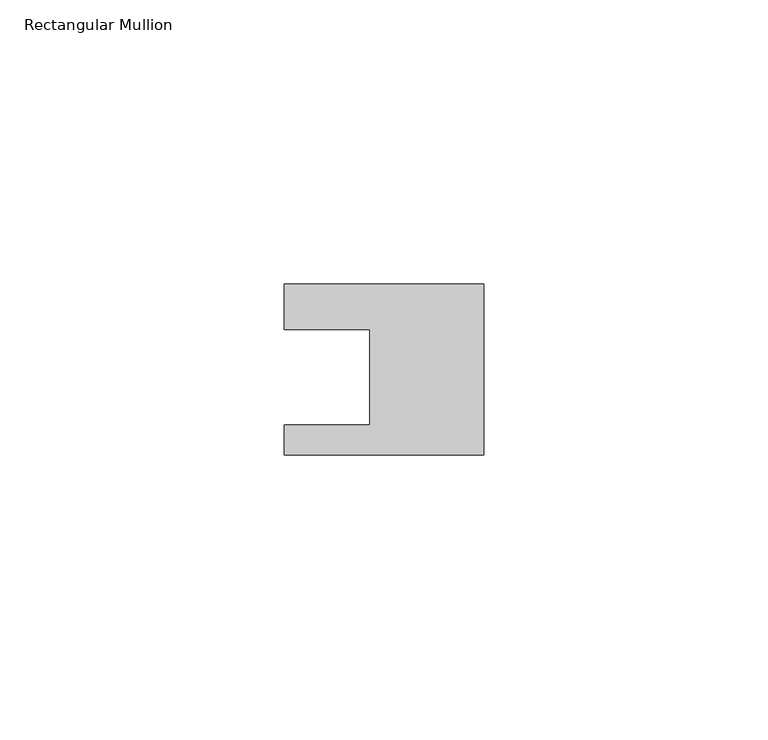
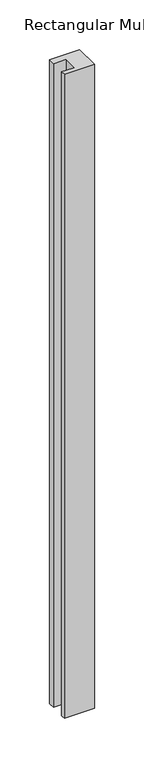
"""IFC4 building model written with IfcOpenShell, lengths in millimetres: member geometry, Rectangular Mullion."""

from ifc_helpers import new_model, si_unit, frame, origin, place, context, project, spatial, polyline, outline, extrude, source, transform, mapped, element, save


def rectangular_mullion_016f6012(model_context):
    return source(origin(), model_context, "Body", "SweptSolid", [
        extrude(outline(polyline([(0.0, 7.94), (0.0, -22.06), (-35.0, -22.06), (-35.0, -16.8), (-20.0, -16.8), (-20.0, 0.001), (-35.0, 0.001), (-35.0, 7.94), (0.0, 7.94)])), frame((0.0, 0.0, -792.0), z_axis=(0.0, 0.0, 1.0), x_axis=(1.0, 0.0, 0.0)), (0.0, 0.0, 1.0), 792.0),
    ])


if __name__ == "__main__":
    model = new_model("IFC4")
    model_context = context("Model", 3, world=origin())
    ifc_project = project(units=[si_unit("LENGTHUNIT", "METRE", prefix="MILLI")], contexts=[model_context])
    site = spatial("IfcSite", under=ifc_project)
    building = spatial("IfcBuilding", under=site)
    placement = place(None, origin())
    rectangular_mullion_shape = rectangular_mullion_016f6012(model_context)
    element("IfcMember", 1, ObjectType="Rectangular Mullion", at=placement, inside=building, context=model_context, shape_type="MappedRepresentation", body=[
        mapped(rectangular_mullion_shape, transform((0.0, 0.0, 0.0), x_axis=(1.0, 0.0, 0.0), y_axis=(0.0, 1.0, 0.0), z_axis=(0.0, 0.0, 1.0))),
    ])
    save(model, "model.ifc")
